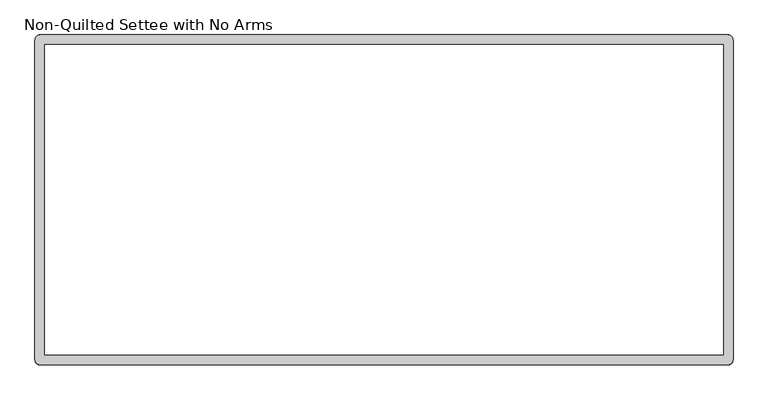
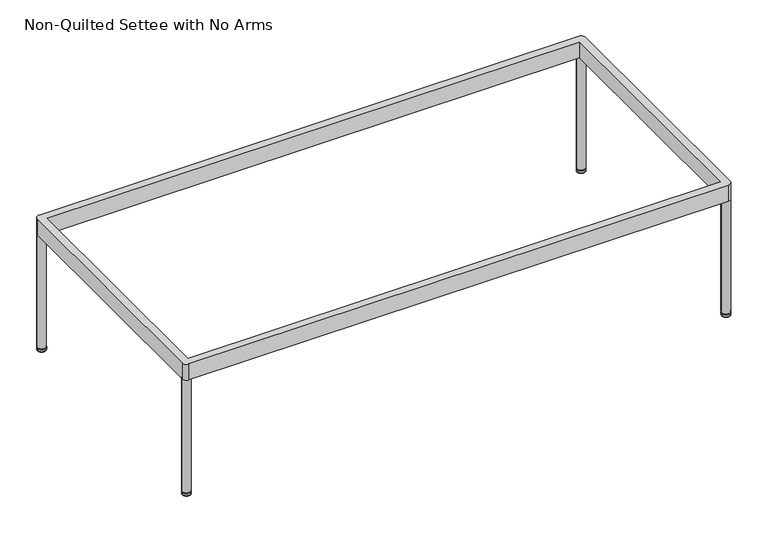
"""IFC4 building model written with IfcOpenShell, lengths in millimetres: furniture geometry, Non-Quilted Settee with No Arms."""

from ifc_helpers import new_model, si_unit, point, frame, origin, place, context, project, spatial, circle_curve, ellipse_curve, trimmed, source, transform, mapped, element, save
from ifc_brep_helpers import plane_surface, cylinder_surface, revolved_surface, advanced_brep


def non_quilted_settee_with_no_arms_6f936970(model_context):
    return source(origin(), model_context, "Body", "AdvancedBrep", [
        advanced_brep(
        [(622.5032095, -237.2781585, 317.4999879), (622.5032095, 332.5281585, 317.4999879), (612.8804139, 342.1509542, 317.4999879), (-612.8804139, 342.1509542, 317.4999879), (-622.5032095, 332.5281585, 317.4999879), (-622.5032095, -237.2781585, 317.4999879), (-612.8804139, -246.9009542, 317.4999879), (612.8804139, -246.9009542, 317.4999879), (-604.7232095, 324.3709542, 317.4999879), (604.7232095, 324.3709542, 317.4999879), (604.7232095, -229.1209542, 317.4999879), (-604.7232095, -229.1209542, 317.4999879), (612.8804139, -246.9009542, 279.4000061), (-612.8804139, -246.9009542, 279.4000061), (-603.2576182, -237.2781585, 279.4000061), (-622.5032095, -237.2781585, 279.4000061), (-622.5032095, 332.5281585, 279.4000061), (-603.2576182, 332.5281585, 279.4000061), (-612.8804139, 342.1509542, 279.4000061), (612.8804139, 342.1509542, 279.4000061), (603.2576182, 332.5281585, 279.4000061), (622.5032095, 332.5281585, 279.4000061), (622.5032095, -237.2781585, 279.4000061), (603.2576182, -237.2781585, 279.4000061), (-604.7232095, 324.3709542, 279.4000061), (-604.7232095, -229.1209542, 279.4000061), (604.7232095, -229.1209542, 279.4000061), (604.7232095, 324.3709542, 279.4000061), (-622.5032095, 332.5281585, 9.525), (-603.2576182, 332.5281585, 9.525), (-622.5032095, -237.2781585, 9.525), (-603.2576182, -237.2781585, 9.525), (603.2576182, 332.5281585, 9.525), (622.5032095, 332.5281585, 9.525), (603.2576182, -237.2781585, 9.525), (622.5032095, -237.2781585, 9.525)],
        [
            (0, 1),
            (1, 2, circle_curve(frame((612.8804139, 332.5281585, 317.4999879), z_axis=(0.0, 0.0, 1.0), x_axis=(1.0, 0.0, 0.0)), 9.6227956)),
            (2, 3),
            (3, 4, circle_curve(frame((-612.8804139, 332.5281585, 317.4999879), z_axis=(0.0, 0.0, 1.0), x_axis=(1.0, 0.0, 0.0)), 9.6227956)),
            (4, 5),
            (5, 6, circle_curve(frame((-612.8804139, -237.2781585, 317.4999879), z_axis=(0.0, 0.0, 1.0), x_axis=(1.0, 0.0, 0.0)), 9.6227956)),
            (6, 7),
            (7, 0, circle_curve(frame((612.8804139, -237.2781585, 317.4999879), z_axis=(0.0, 0.0, 1.0), x_axis=(1.0, 0.0, 0.0)), 9.6227956)),
            (8, 9),
            (9, 10),
            (10, 11),
            (11, 8),
            (12, 13),
            (13, 14, circle_curve(frame((-612.8804139, -237.2781585, 279.4000061), z_axis=(0.0, 0.0, 1.0), x_axis=(1.0, 0.0, 0.0)), 9.6227956)),
            (14, 15, circle_curve(frame((-612.8804139, -237.2781585, 279.4000061), z_axis=(0.0, 0.0, 1.0), x_axis=(1.0, 0.0, 0.0)), 9.6227956)),
            (15, 16),
            (16, 17, circle_curve(frame((-612.8804139, 332.5281585, 279.4000061), z_axis=(0.0, 0.0, 1.0), x_axis=(1.0, 0.0, 0.0)), 9.6227956)),
            (17, 18, circle_curve(frame((-612.8804139, 332.5281585, 279.4000061), z_axis=(0.0, 0.0, 1.0), x_axis=(1.0, 0.0, 0.0)), 9.6227956)),
            (18, 19),
            (19, 20, circle_curve(frame((612.8804139, 332.5281585, 279.4000061), z_axis=(0.0, 0.0, 1.0), x_axis=(1.0, 0.0, 0.0)), 9.6227956)),
            (20, 21, circle_curve(frame((612.8804139, 332.5281585, 279.4000061), z_axis=(0.0, 0.0, 1.0), x_axis=(1.0, 0.0, 0.0)), 9.6227956)),
            (21, 22),
            (22, 23, circle_curve(frame((612.8804139, -237.2781585, 279.4000061), z_axis=(0.0, 0.0, 1.0), x_axis=(1.0, 0.0, 0.0)), 9.6227956)),
            (23, 12, circle_curve(frame((612.8804139, -237.2781585, 279.4000061), z_axis=(0.0, 0.0, 1.0), x_axis=(1.0, 0.0, 0.0)), 9.6227956)),
            (24, 25),
            (25, 26),
            (26, 27),
            (27, 24),
            (0, 22),
            (21, 1),
            (21, 19, circle_curve(frame((612.8804139, 332.5281585, 279.4000061), z_axis=(0.0, 0.0, 1.0), x_axis=(1.0, 0.0, 0.0)), 9.6227956)),
            (19, 2),
            (18, 3),
            (18, 16, circle_curve(frame((-612.8804139, 332.5281585, 279.4000061), z_axis=(0.0, 0.0, 1.0), x_axis=(1.0, 0.0, 0.0)), 9.6227956)),
            (16, 4),
            (15, 5),
            (15, 13, circle_curve(frame((-612.8804139, -237.2781585, 279.4000061), z_axis=(0.0, 0.0, 1.0), x_axis=(1.0, 0.0, 0.0)), 9.6227956)),
            (13, 6),
            (12, 7),
            (12, 22, circle_curve(frame((612.8804139, -237.2781585, 279.4000061), z_axis=(0.0, 0.0, 1.0), x_axis=(1.0, 0.0, 0.0)), 9.6227956)),
            (8, 24),
            (27, 9),
            (26, 10),
            (25, 11),
            (28, 29, circle_curve(frame((-612.8804139, 332.5281585, 9.525), z_axis=(0.0, 0.0, -1.0), x_axis=(1.0, 0.0, 0.0)), 9.6227956)),
            (29, 28, circle_curve(frame((-612.8804139, 332.5281585, 9.525), z_axis=(0.0, 0.0, -1.0), x_axis=(1.0, 0.0, 0.0)), 9.6227956)),
            (30, 31, circle_curve(frame((-612.8804139, -237.2781585, 9.525), z_axis=(0.0, 0.0, -1.0), x_axis=(1.0, 0.0, 0.0)), 9.6227956)),
            (31, 30, circle_curve(frame((-612.8804139, -237.2781585, 9.525), z_axis=(0.0, 0.0, -1.0), x_axis=(1.0, 0.0, 0.0)), 9.6227956)),
            (32, 33, circle_curve(frame((612.8804139, 332.5281585, 9.525), z_axis=(0.0, 0.0, -1.0), x_axis=(1.0, 0.0, 0.0)), 9.6227956)),
            (33, 32, circle_curve(frame((612.8804139, 332.5281585, 9.525), z_axis=(0.0, 0.0, -1.0), x_axis=(1.0, 0.0, 0.0)), 9.6227956)),
            (34, 35, circle_curve(frame((612.8804139, -237.2781585, 9.525), z_axis=(0.0, 0.0, -1.0), x_axis=(1.0, 0.0, 0.0)), 9.6227956)),
            (35, 34, circle_curve(frame((612.8804139, -237.2781585, 9.525), z_axis=(0.0, 0.0, -1.0), x_axis=(1.0, 0.0, 0.0)), 9.6227956)),
            (29, 17),
            (16, 28),
            (31, 14),
            (15, 30),
            (33, 21),
            (20, 32),
            (35, 22),
            (23, 34),
        ],
        [
            plane_surface(frame((622.5032095, 332.5281585, 317.4999879), z_axis=(0.0, 0.0, 1.0), x_axis=(0.0, 1.0, 0.0))),
            plane_surface(frame((622.5032095, 332.5281585, 279.4000061), z_axis=(0.0, 0.0, -1.0), x_axis=(0.0, -1.0, 0.0))),
            plane_surface(frame((622.5032095, -237.2781585, 317.4999879), z_axis=(1.0, 0.0, 0.0), x_axis=(0.0, 0.0, -1.0))),
            cylinder_surface(frame((612.8804139, 332.5281585, 279.4000061), z_axis=(0.0, 0.0, 1.0), x_axis=(1.0, 0.0, 0.0)), 9.6227956),
            plane_surface(frame((612.8804139, 342.1509542, 317.4999879), z_axis=(0.0, 1.0, 0.0), x_axis=(0.0, 0.0, -1.0))),
            cylinder_surface(frame((-612.8804139, 332.5281585, 279.4000061), z_axis=(0.0, 0.0, 1.0), x_axis=(1.0, 0.0, 0.0)), 9.6227956),
            plane_surface(frame((-622.5032095, 332.5281585, 317.4999879), z_axis=(-1.0, 0.0, 0.0), x_axis=(0.0, 0.0, -1.0))),
            cylinder_surface(frame((-612.8804139, -237.2781585, 279.4000061), z_axis=(0.0, 0.0, 1.0), x_axis=(1.0, 0.0, 0.0)), 9.6227956),
            plane_surface(frame((-612.8804139, -246.9009542, 317.4999879), z_axis=(0.0, -1.0, 0.0), x_axis=(0.0, 0.0, -1.0))),
            cylinder_surface(frame((612.8804139, -237.2781585, 279.4000061), z_axis=(0.0, 0.0, 1.0), x_axis=(1.0, 0.0, 0.0)), 9.6227956),
            plane_surface(frame((-604.7232095, 324.3709542, 317.4999879), z_axis=(0.0, -1.0, 0.0), x_axis=(0.0, 0.0, -1.0))),
            plane_surface(frame((604.7232095, 324.3709542, 317.4999879), z_axis=(-1.0, 0.0, 0.0), x_axis=(0.0, 0.0, -1.0))),
            plane_surface(frame((604.7232095, -229.1209542, 317.4999879), z_axis=(0.0, 1.0, 0.0), x_axis=(0.0, 0.0, -1.0))),
            plane_surface(frame((-604.7232095, -229.1209542, 317.4999879), z_axis=(1.0, 0.0, 0.0), x_axis=(0.0, 0.0, -1.0))),
            plane_surface(frame((-603.2576182, 332.5281585, 9.525), z_axis=(0.0, 0.0, -1.0), x_axis=(0.0, -1.0, 0.0))),
            cylinder_surface(frame((-612.8804139, 332.5281585, 9.525), z_axis=(0.0, 0.0, 1.0), x_axis=(1.0, 0.0, 0.0)), 9.6227956),
            cylinder_surface(frame((-612.8804139, -237.2781585, 0.0), z_axis=(0.0, 0.0, 1.0), x_axis=(1.0, 0.0, 0.0)), 9.6227956),
            cylinder_surface(frame((612.8804139, 332.5281585, 0.0), z_axis=(0.0, 0.0, 1.0), x_axis=(1.0, 0.0, 0.0)), 9.6227956),
            cylinder_surface(frame((612.8804139, -237.2781585, 0.0), z_axis=(0.0, 0.0, 1.0), x_axis=(1.0, 0.0, 0.0)), 9.6227956),
        ],
        [
            (0, [[1, 2, 3, 4, 5, 6, 7, 8], [9, 10, 11, 12]]),
            (1, [[13, 14, 15, 16, 17, 18, 19, 20, 21, 22, 23, 24], [25, 26, 27, 28]]),
            (2, [[-1, 29, -22, 30]]),
            (3, [[-2, -30, 31, 32]]),
            (4, [[-3, -32, -19, 33]]),
            (5, [[-4, -33, 34, 35]]),
            (6, [[-5, -35, -16, 36]]),
            (7, [[-6, -36, 37, 38]]),
            (8, [[-7, -38, -13, 39]]),
            (9, [[-8, -39, 40, -29]]),
            (10, [[-9, 41, -28, 42]]),
            (11, [[-10, -42, -27, 43]]),
            (12, [[-11, -43, -26, 44]]),
            (13, [[-12, -44, -25, -41]]),
            (14, [[45, 46]]),
            (14, [[47, 48]]),
            (14, [[49, 50]]),
            (14, [[51, 52]]),
            (15, [[-46, 53, -17, 54]]),
            (15, [[-45, -54, -34, -18, -53]]),
            (16, [[-48, 55, -14, -37, 56]]),
            (16, [[-47, -56, -15, -55]]),
            (17, [[-50, 57, -21, 58]]),
            (17, [[-49, -58, -20, -31, -57]]),
            (18, [[-52, 59, -40, -24, 60]]),
            (18, [[-51, -60, -23, -59]]),
        ],
    ),
        advanced_brep(
        [(605.4760884, 332.5826887, 9.525), (620.0892207, 332.5826887, 9.525), (612.7826546, 332.5826887, 9.525), (603.0620996, 332.5826887, 7.1110112), (622.5032095, 332.5826887, 7.1110112), (603.0620996, 332.5826887, 2.54), (622.5032095, 332.5826887, 2.54), (605.6020996, 332.5826887, 0.0), (619.9632095, 332.5826887, 0.0), (612.7826546, 332.5826887, 0.0)],
        [
            (0, 1, circle_curve(frame((612.7826546, 332.5826887, 9.525), z_axis=(0.0, 0.0, 1.0), x_axis=(1.0, 0.0, 0.0)), 7.3065662)),
            (1, 2),
            (2, 0),
            (1, 0, circle_curve(frame((612.7826546, 332.5826887, 9.525), z_axis=(0.0, 0.0, 1.0), x_axis=(1.0, 0.0, 0.0)), 7.3065662)),
            (3, 4, circle_curve(frame((612.7826546, 332.5826887, 7.1110112), z_axis=(0.0, 0.0, 1.0), x_axis=(1.0, 0.0, 0.0)), 9.7205549)),
            (4, 1, circle_curve(frame((620.0892207, 332.5826887, 7.1110112), z_axis=(0.0, -1.0, 0.0), x_axis=(-1.0, 0.0, 0.0)), 2.4139888)),
            (0, 3, circle_curve(frame((605.4760884, 332.5826887, 7.1110112), z_axis=(0.0, -1.0, 0.0), x_axis=(1.0, 0.0, 0.0)), 2.4139888)),
            (4, 3, circle_curve(frame((612.7826546, 332.5826887, 7.1110112), z_axis=(0.0, 0.0, 1.0), x_axis=(1.0, 0.0, 0.0)), 9.7205549)),
            (5, 6, circle_curve(frame((612.7826546, 332.5826887, 2.54), z_axis=(0.0, 0.0, 1.0), x_axis=(1.0, 0.0, 0.0)), 9.7205549)),
            (6, 4),
            (3, 5),
            (6, 5, circle_curve(frame((612.7826546, 332.5826887, 2.54), z_axis=(0.0, 0.0, 1.0), x_axis=(1.0, 0.0, 0.0)), 9.7205549)),
            (7, 8, circle_curve(frame((612.7826546, 332.5826887, 0.0), z_axis=(0.0, 0.0, 1.0), x_axis=(1.0, 0.0, 0.0)), 7.1805549)),
            (8, 6, circle_curve(frame((619.9632095, 332.5826887, 2.54), z_axis=(0.0, -1.0, 0.0), x_axis=(-1.0, 0.0, 0.0)), 2.54)),
            (5, 7, circle_curve(frame((605.6020996, 332.5826887, 2.54), z_axis=(0.0, -1.0, 0.0), x_axis=(1.0, 0.0, 0.0)), 2.54)),
            (8, 7, circle_curve(frame((612.7826546, 332.5826887, 0.0), z_axis=(0.0, 0.0, 1.0), x_axis=(1.0, 0.0, 0.0)), 7.1805549)),
            (9, 8),
            (7, 9),
        ],
        [
            plane_surface(frame((612.7826546, 332.5826887, 9.525), z_axis=(0.0, 0.0, 1.0), x_axis=(1.0, 0.0, 0.0))),
            revolved_surface(trimmed(ellipse_curve(frame((620.0892207, 332.5826887, 7.1110112), z_axis=(0.0, 1.0, 0.0), x_axis=(-1.0, 0.0, 0.0)), 2.4139888, 2.4139888), [point((620.0892207, 332.5826887, 9.525))], [point((622.5032095, 332.5826887, 7.1110112))], True, "CARTESIAN"), (612.7826546, 332.5826887, 9.3770739), (0.0, 0.0, -1.0)),
            cylinder_surface(frame((612.7826546, 332.5826887, 9.3770739), z_axis=(0.0, 0.0, -1.0), x_axis=(1.0, 0.0, 0.0)), 9.7205549),
            revolved_surface(trimmed(ellipse_curve(frame((619.9632095, 332.5826887, 2.54), z_axis=(0.0, 1.0, 0.0), x_axis=(-1.0, 0.0, 0.0)), 2.54, 2.54), [point((622.5032095, 332.5826887, 2.54))], [point((619.9632095, 332.5826887, 0.0))], True, "CARTESIAN"), (612.7826546, 332.5826887, 9.3770739), (0.0, 0.0, -1.0)),
            plane_surface(frame((612.7826546, 332.5826887, 0.0), z_axis=(0.0, 0.0, -1.0), x_axis=(1.0, 0.0, 0.0))),
        ],
        [
            (0, [[1, 2, 3]]),
            (0, [[4, -3, -2]]),
            (1, [[5, 6, -1, 7]]),
            (1, [[8, -7, -4, -6]]),
            (2, [[9, 10, -5, 11]]),
            (2, [[12, -11, -8, -10]]),
            (3, [[13, 14, -9, 15]]),
            (3, [[16, -15, -12, -14]]),
            (4, [[17, -13, 18]]),
            (4, [[-18, -16, -17]]),
        ],
    ),
        advanced_brep(
        [(-612.7826546, 332.5826887, 9.525), (-620.0892207, 332.5826887, 9.525), (-605.4760884, 332.5826887, 9.525), (-622.5032095, 332.5826887, 7.1110112), (-603.0620996, 332.5826887, 7.1110112), (-622.5032095, 332.5826887, 2.54), (-603.0620996, 332.5826887, 2.54), (-619.9632095, 332.5826887, 0.0), (-605.6020996, 332.5826887, 0.0), (-612.7826546, 332.5826887, 0.0)],
        [
            (0, 1),
            (1, 2, circle_curve(frame((-612.7826546, 332.5826887, 9.525), z_axis=(0.0, 0.0, 1.0), x_axis=(-1.0, 0.0, 0.0)), 7.3065662)),
            (2, 0),
            (2, 1, circle_curve(frame((-612.7826546, 332.5826887, 9.525), z_axis=(0.0, 0.0, 1.0), x_axis=(-1.0, 0.0, 0.0)), 7.3065662)),
            (1, 3, circle_curve(frame((-620.0892207, 332.5826887, 7.1110112), z_axis=(0.0, -1.0, 0.0), x_axis=(1.0, 0.0, 0.0)), 2.4139888)),
            (3, 4, circle_curve(frame((-612.7826546, 332.5826887, 7.1110112), z_axis=(0.0, 0.0, 1.0), x_axis=(-1.0, 0.0, 0.0)), 9.7205549)),
            (4, 2, circle_curve(frame((-605.4760884, 332.5826887, 7.1110112), z_axis=(0.0, -1.0, 0.0), x_axis=(-1.0, 0.0, 0.0)), 2.4139888)),
            (4, 3, circle_curve(frame((-612.7826546, 332.5826887, 7.1110112), z_axis=(0.0, 0.0, 1.0), x_axis=(-1.0, 0.0, 0.0)), 9.7205549)),
            (3, 5),
            (5, 6, circle_curve(frame((-612.7826546, 332.5826887, 2.54), z_axis=(0.0, 0.0, 1.0), x_axis=(-1.0, 0.0, 0.0)), 9.7205549)),
            (6, 4),
            (6, 5, circle_curve(frame((-612.7826546, 332.5826887, 2.54), z_axis=(0.0, 0.0, 1.0), x_axis=(-1.0, 0.0, 0.0)), 9.7205549)),
            (5, 7, circle_curve(frame((-619.9632095, 332.5826887, 2.54), z_axis=(0.0, -1.0, 0.0), x_axis=(1.0, 0.0, 0.0)), 2.54)),
            (7, 8, circle_curve(frame((-612.7826546, 332.5826887, 0.0), z_axis=(0.0, 0.0, 1.0), x_axis=(-1.0, 0.0, 0.0)), 7.1805549)),
            (8, 6, circle_curve(frame((-605.6020996, 332.5826887, 2.54), z_axis=(0.0, -1.0, 0.0), x_axis=(-1.0, 0.0, 0.0)), 2.54)),
            (8, 7, circle_curve(frame((-612.7826546, 332.5826887, 0.0), z_axis=(0.0, 0.0, 1.0), x_axis=(-1.0, 0.0, 0.0)), 7.1805549)),
            (7, 9),
            (9, 8),
        ],
        [
            plane_surface(frame((-612.7826546, 332.5826887, 9.525), z_axis=(0.0, 0.0, 1.0), x_axis=(-1.0, 0.0, 0.0))),
            revolved_surface(trimmed(ellipse_curve(frame((-620.0892207, 332.5826887, 7.1110112), z_axis=(0.0, 1.0, 0.0), x_axis=(1.0, 0.0, 0.0)), 2.4139888, 2.4139888), [point((-622.5032095, 332.5826887, 7.1110112))], [point((-620.0892207, 332.5826887, 9.525))], True, "CARTESIAN"), (-612.7826546, 332.5826887, 9.3770739), (0.0, 0.0, 1.0)),
            cylinder_surface(frame((-612.7826546, 332.5826887, 9.3770739), z_axis=(0.0, 0.0, 1.0), x_axis=(-1.0, 0.0, 0.0)), 9.7205549),
            revolved_surface(trimmed(ellipse_curve(frame((-619.9632095, 332.5826887, 2.54), z_axis=(0.0, 1.0, 0.0), x_axis=(1.0, 0.0, 0.0)), 2.54, 2.54), [point((-619.9632095, 332.5826887, 0.0))], [point((-622.5032095, 332.5826887, 2.54))], True, "CARTESIAN"), (-612.7826546, 332.5826887, 9.3770739), (0.0, 0.0, 1.0)),
            plane_surface(frame((-612.7826546, 332.5826887, 0.0), z_axis=(0.0, 0.0, -1.0), x_axis=(-1.0, 0.0, 0.0))),
        ],
        [
            (0, [[1, 2, 3]]),
            (0, [[-3, 4, -1]]),
            (1, [[-2, 5, 6, 7]]),
            (1, [[-4, -7, 8, -5]]),
            (2, [[-6, 9, 10, 11]]),
            (2, [[-8, -11, 12, -9]]),
            (3, [[-10, 13, 14, 15]]),
            (3, [[-12, -15, 16, -13]]),
            (4, [[-14, 17, 18]]),
            (4, [[-16, -18, -17]]),
        ],
    ),
        advanced_brep(
        [(612.7826546, -237.3326887, 9.525), (620.0892207, -237.3326887, 9.525), (605.4760884, -237.3326887, 9.525), (622.5032095, -237.3326887, 7.1110112), (603.0620996, -237.3326887, 7.1110112), (622.5032095, -237.3326887, 2.54), (603.0620996, -237.3326887, 2.54), (619.9632095, -237.3326887, 0.0), (605.6020996, -237.3326887, 0.0), (612.7826546, -237.3326887, 0.0)],
        [
            (0, 1),
            (1, 2, circle_curve(frame((612.7826546, -237.3326887, 9.525), z_axis=(0.0, 0.0, 1.0), x_axis=(1.0, 0.0, 0.0)), 7.3065662)),
            (2, 0),
            (2, 1, circle_curve(frame((612.7826546, -237.3326887, 9.525), z_axis=(0.0, 0.0, 1.0), x_axis=(1.0, 0.0, 0.0)), 7.3065662)),
            (1, 3, circle_curve(frame((620.0892207, -237.3326887, 7.1110112), z_axis=(0.0, 1.0, 0.0), x_axis=(-1.0, 0.0, 0.0)), 2.4139888)),
            (3, 4, circle_curve(frame((612.7826546, -237.3326887, 7.1110112), z_axis=(0.0, 0.0, 1.0), x_axis=(1.0, 0.0, 0.0)), 9.7205549)),
            (4, 2, circle_curve(frame((605.4760884, -237.3326887, 7.1110112), z_axis=(0.0, 1.0, 0.0), x_axis=(1.0, 0.0, 0.0)), 2.4139888)),
            (4, 3, circle_curve(frame((612.7826546, -237.3326887, 7.1110112), z_axis=(0.0, 0.0, 1.0), x_axis=(1.0, 0.0, 0.0)), 9.7205549)),
            (3, 5),
            (5, 6, circle_curve(frame((612.7826546, -237.3326887, 2.54), z_axis=(0.0, 0.0, 1.0), x_axis=(1.0, 0.0, 0.0)), 9.7205549)),
            (6, 4),
            (6, 5, circle_curve(frame((612.7826546, -237.3326887, 2.54), z_axis=(0.0, 0.0, 1.0), x_axis=(1.0, 0.0, 0.0)), 9.7205549)),
            (5, 7, circle_curve(frame((619.9632095, -237.3326887, 2.54), z_axis=(0.0, 1.0, 0.0), x_axis=(-1.0, 0.0, 0.0)), 2.54)),
            (7, 8, circle_curve(frame((612.7826546, -237.3326887, 0.0), z_axis=(0.0, 0.0, 1.0), x_axis=(1.0, 0.0, 0.0)), 7.1805549)),
            (8, 6, circle_curve(frame((605.6020996, -237.3326887, 2.54), z_axis=(0.0, 1.0, 0.0), x_axis=(1.0, 0.0, 0.0)), 2.54)),
            (8, 7, circle_curve(frame((612.7826546, -237.3326887, 0.0), z_axis=(0.0, 0.0, 1.0), x_axis=(1.0, 0.0, 0.0)), 7.1805549)),
            (7, 9),
            (9, 8),
        ],
        [
            plane_surface(frame((612.7826546, -237.3326887, 9.525), z_axis=(0.0, 0.0, 1.0), x_axis=(1.0, 0.0, 0.0))),
            revolved_surface(trimmed(ellipse_curve(frame((620.0892207, -237.3326887, 7.1110112), z_axis=(0.0, -1.0, 0.0), x_axis=(-1.0, 0.0, 0.0)), 2.4139888, 2.4139888), [point((622.5032095, -237.3326887, 7.1110112))], [point((620.0892207, -237.3326887, 9.525))], True, "CARTESIAN"), (612.7826546, -237.3326887, 9.3770739), (0.0, 0.0, 1.0)),
            cylinder_surface(frame((612.7826546, -237.3326887, 9.3770739), z_axis=(0.0, 0.0, 1.0), x_axis=(1.0, 0.0, 0.0)), 9.7205549),
            revolved_surface(trimmed(ellipse_curve(frame((619.9632095, -237.3326887, 2.54), z_axis=(0.0, -1.0, 0.0), x_axis=(-1.0, 0.0, 0.0)), 2.54, 2.54), [point((619.9632095, -237.3326887, 0.0))], [point((622.5032095, -237.3326887, 2.54))], True, "CARTESIAN"), (612.7826546, -237.3326887, 9.3770739), (0.0, 0.0, 1.0)),
            plane_surface(frame((612.7826546, -237.3326887, 0.0), z_axis=(0.0, 0.0, -1.0), x_axis=(1.0, 0.0, 0.0))),
        ],
        [
            (0, [[1, 2, 3]]),
            (0, [[-3, 4, -1]]),
            (1, [[-2, 5, 6, 7]]),
            (1, [[-4, -7, 8, -5]]),
            (2, [[-6, 9, 10, 11]]),
            (2, [[-8, -11, 12, -9]]),
            (3, [[-10, 13, 14, 15]]),
            (3, [[-12, -15, 16, -13]]),
            (4, [[-14, 17, 18]]),
            (4, [[-16, -18, -17]]),
        ],
    ),
        advanced_brep(
        [(-605.4760884, -237.3326887, 9.525), (-620.0892207, -237.3326887, 9.525), (-612.7826546, -237.3326887, 9.525), (-603.0620996, -237.3326887, 7.1110112), (-622.5032095, -237.3326887, 7.1110112), (-603.0620996, -237.3326887, 2.54), (-622.5032095, -237.3326887, 2.54), (-605.6020996, -237.3326887, 0.0), (-619.9632095, -237.3326887, 0.0), (-612.7826546, -237.3326887, 0.0)],
        [
            (0, 1, circle_curve(frame((-612.7826546, -237.3326887, 9.525), z_axis=(0.0, 0.0, 1.0), x_axis=(-1.0, 0.0, 0.0)), 7.3065662)),
            (1, 2),
            (2, 0),
            (1, 0, circle_curve(frame((-612.7826546, -237.3326887, 9.525), z_axis=(0.0, 0.0, 1.0), x_axis=(-1.0, 0.0, 0.0)), 7.3065662)),
            (3, 4, circle_curve(frame((-612.7826546, -237.3326887, 7.1110112), z_axis=(0.0, 0.0, 1.0), x_axis=(-1.0, 0.0, 0.0)), 9.7205549)),
            (4, 1, circle_curve(frame((-620.0892207, -237.3326887, 7.1110112), z_axis=(0.0, 1.0, 0.0), x_axis=(1.0, 0.0, 0.0)), 2.4139888)),
            (0, 3, circle_curve(frame((-605.4760884, -237.3326887, 7.1110112), z_axis=(0.0, 1.0, 0.0), x_axis=(-1.0, 0.0, 0.0)), 2.4139888)),
            (4, 3, circle_curve(frame((-612.7826546, -237.3326887, 7.1110112), z_axis=(0.0, 0.0, 1.0), x_axis=(-1.0, 0.0, 0.0)), 9.7205549)),
            (5, 6, circle_curve(frame((-612.7826546, -237.3326887, 2.54), z_axis=(0.0, 0.0, 1.0), x_axis=(-1.0, 0.0, 0.0)), 9.7205549)),
            (6, 4),
            (3, 5),
            (6, 5, circle_curve(frame((-612.7826546, -237.3326887, 2.54), z_axis=(0.0, 0.0, 1.0), x_axis=(-1.0, 0.0, 0.0)), 9.7205549)),
            (7, 8, circle_curve(frame((-612.7826546, -237.3326887, 0.0), z_axis=(0.0, 0.0, 1.0), x_axis=(-1.0, 0.0, 0.0)), 7.1805549)),
            (8, 6, circle_curve(frame((-619.9632095, -237.3326887, 2.54), z_axis=(0.0, 1.0, 0.0), x_axis=(1.0, 0.0, 0.0)), 2.54)),
            (5, 7, circle_curve(frame((-605.6020996, -237.3326887, 2.54), z_axis=(0.0, 1.0, 0.0), x_axis=(-1.0, 0.0, 0.0)), 2.54)),
            (8, 7, circle_curve(frame((-612.7826546, -237.3326887, 0.0), z_axis=(0.0, 0.0, 1.0), x_axis=(-1.0, 0.0, 0.0)), 7.1805549)),
            (9, 8),
            (7, 9),
        ],
        [
            plane_surface(frame((-612.7826546, -237.3326887, 9.525), z_axis=(0.0, 0.0, 1.0), x_axis=(-1.0, 0.0, 0.0))),
            revolved_surface(trimmed(ellipse_curve(frame((-620.0892207, -237.3326887, 7.1110112), z_axis=(0.0, -1.0, 0.0), x_axis=(1.0, 0.0, 0.0)), 2.4139888, 2.4139888), [point((-620.0892207, -237.3326887, 9.525))], [point((-622.5032095, -237.3326887, 7.1110112))], True, "CARTESIAN"), (-612.7826546, -237.3326887, 9.3770739), (0.0, 0.0, -1.0)),
            cylinder_surface(frame((-612.7826546, -237.3326887, 9.3770739), z_axis=(0.0, 0.0, -1.0), x_axis=(-1.0, 0.0, 0.0)), 9.7205549),
            revolved_surface(trimmed(ellipse_curve(frame((-619.9632095, -237.3326887, 2.54), z_axis=(0.0, -1.0, 0.0), x_axis=(1.0, 0.0, 0.0)), 2.54, 2.54), [point((-622.5032095, -237.3326887, 2.54))], [point((-619.9632095, -237.3326887, 0.0))], True, "CARTESIAN"), (-612.7826546, -237.3326887, 9.3770739), (0.0, 0.0, -1.0)),
            plane_surface(frame((-612.7826546, -237.3326887, 0.0), z_axis=(0.0, 0.0, -1.0), x_axis=(-1.0, 0.0, 0.0))),
        ],
        [
            (0, [[1, 2, 3]]),
            (0, [[4, -3, -2]]),
            (1, [[5, 6, -1, 7]]),
            (1, [[8, -7, -4, -6]]),
            (2, [[9, 10, -5, 11]]),
            (2, [[12, -11, -8, -10]]),
            (3, [[13, 14, -9, 15]]),
            (3, [[16, -15, -12, -14]]),
            (4, [[17, -13, 18]]),
            (4, [[-18, -16, -17]]),
        ],
    ),
    ])


if __name__ == "__main__":
    model = new_model("IFC4")
    model_context = context("Model", 3, world=origin())
    ifc_project = project(units=[si_unit("LENGTHUNIT", "METRE", prefix="MILLI")], contexts=[model_context])
    site = spatial("IfcSite", under=ifc_project)
    building = spatial("IfcBuilding", under=site)
    placement = place(None, origin())
    non_quilted_settee_with_no_arms_shape = non_quilted_settee_with_no_arms_6f936970(model_context)
    element("IfcFurniture", 1, ObjectType="Non-Quilted Settee with No Arms", at=placement, inside=building, context=model_context, shape_type="MappedRepresentation", body=[
        mapped(non_quilted_settee_with_no_arms_shape, transform((0.0, 0.0, 0.0), x_axis=(1.0, 0.0, 0.0), y_axis=(0.0, 1.0, 0.0), z_axis=(0.0, 0.0, 1.0))),
    ])
    save(model, "model.ifc")
